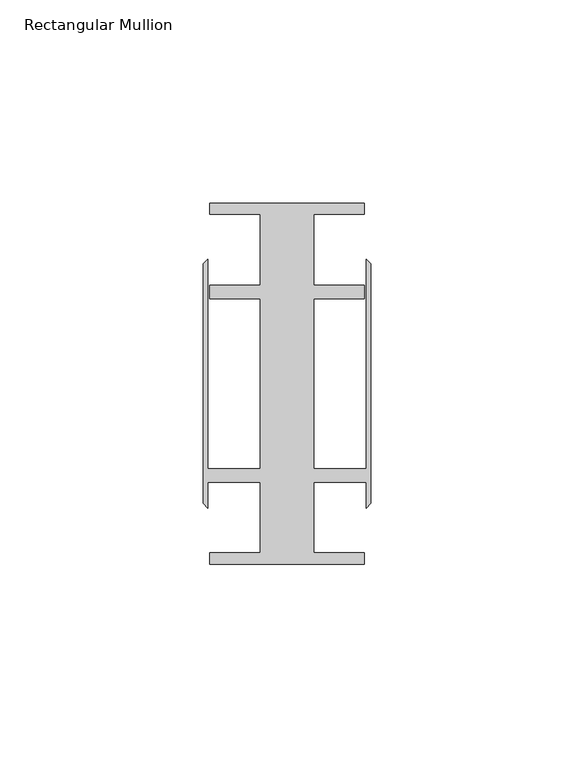
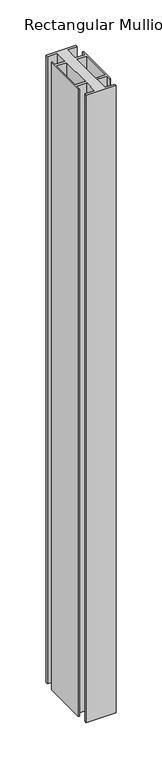
"""IFC4 building model written with IfcOpenShell, lengths in millimetres: member geometry, Rectangular Mullion."""

from ifc_helpers import new_model, si_unit, frame, origin, place, context, project, spatial, polyline, outline, extrude, source, transform, mapped, element, save


def rectangular_mullion_ca8c9e2d(model_context):
    return source(origin(), model_context, "Body", "SweptSolid", [
        extrude(outline(polyline([(6.6000002, 41.6500013), (6.6000002, 24.2500008), (19.05, 24.2500008), (19.05, 20.9500007), (6.6000002, 20.9500007), (6.6000002, -20.9500007), (19.4924102, -20.9500007), (19.4924102, 30.6159585), (20.6375, 29.4708687), (20.6375, -29.4708687), (19.4924102, -30.6159585), (19.4924102, -24.2500008), (6.6000002, -24.2500008), (6.6000002, -41.6500013), (19.05, -41.6500013), (19.05, -44.45), (-19.05, -44.45), (-19.05, -41.6500013), (-6.6000002, -41.6500013), (-6.6000002, -24.2500008), (-19.4924102, -24.2500008), (-19.4924102, -30.6159585), (-20.6375, -29.4708687), (-20.6375, 29.4708687), (-19.4924102, 30.6159585), (-19.4924102, -20.9500007), (-6.6000002, -20.9500007), (-6.6000002, 20.9500007), (-19.05, 20.9500007), (-19.05, 24.2500008), (-6.6000002, 24.2500008), (-6.6000002, 41.6500013), (-19.05, 41.6500013), (-19.05, 44.45), (19.05, 44.45), (19.05, 41.6500013), (6.6000002, 41.6500013)])), frame((0.0, 0.0, -849.3125), z_axis=(0.0, 0.0, 1.0), x_axis=(1.0, 0.0, 0.0)), (0.0, 0.0, 1.0), 849.3125),
    ])


if __name__ == "__main__":
    model = new_model("IFC4")
    model_context = context("Model", 3, world=origin())
    ifc_project = project(units=[si_unit("LENGTHUNIT", "METRE", prefix="MILLI")], contexts=[model_context])
    site = spatial("IfcSite", under=ifc_project)
    building = spatial("IfcBuilding", under=site)
    placement = place(None, origin())
    rectangular_mullion_shape = rectangular_mullion_ca8c9e2d(model_context)
    element("IfcMember", 1, ObjectType="Rectangular Mullion", at=placement, inside=building, context=model_context, shape_type="MappedRepresentation", body=[
        mapped(rectangular_mullion_shape, transform((0.0, 0.0, 0.0), x_axis=(1.0, 0.0, 0.0), y_axis=(0.0, 1.0, 0.0), z_axis=(0.0, 0.0, 1.0))),
    ])
    save(model, "model.ifc")
